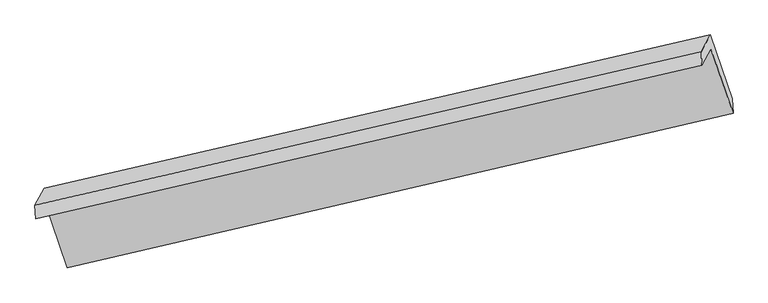
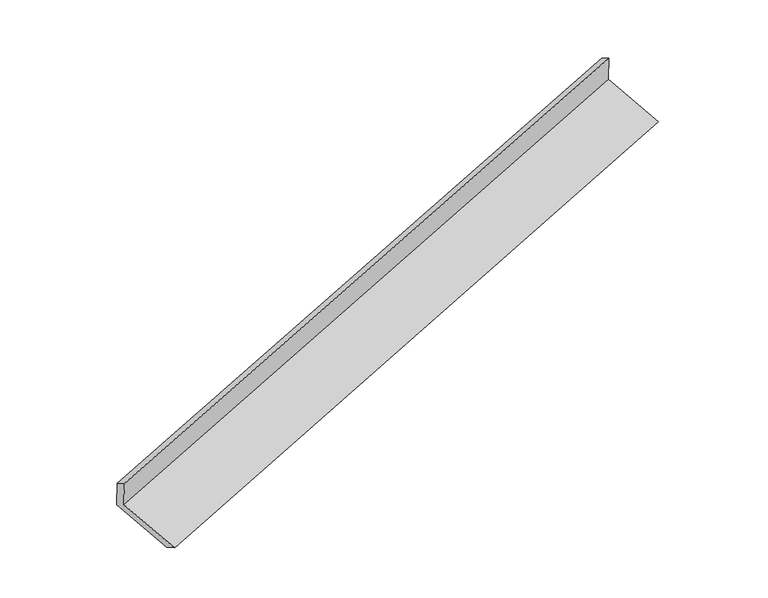
"""IFC4 building model written with IfcOpenShell, lengths in millimetres: proxy geometry."""

from ifc_helpers import new_model, si_unit, origin, place, context, project, spatial, faceted_brep, source, transform, mapped, element, save


def generic_models_b3a4d40c(model_context):
    return source(origin(), model_context, "Body", "Brep", [
        faceted_brep([(-5942.5103659, -2020.5056652, 950.7529725), (-5736.2836692, -2620.7274727, 746.2650938), (348.040561, -1211.3079555, 2667.5516547), (144.9066854, -620.0877889, 2868.9727897), (-6024.3895863, -2172.9204525, 1315.5520914), (63.0274651, -772.5025762, 3233.7719086), (-6030.3917775, -2049.8421724, 1244.8465253), (57.0252738, -649.4242961, 3163.0663424), (-5947.2682308, -1895.111123, 874.5035193), (140.1488205, -494.6932467, 2792.7233365), (-5744.4302843, -2485.4699893, 673.3758183), (339.8939459, -1076.050472, 2594.6623792)], [[[0, 1, 2, 3]], [[4, 0, 3, 5]], [[6, 4, 5, 7]], [[8, 6, 7, 9]], [[10, 8, 9, 11]], [[1, 10, 11, 2]], [[9, 7, 5, 3, 2, 11]], [[1, 0, 4, 6, 8, 10]]]),
    ])


if __name__ == "__main__":
    model = new_model("IFC4")
    model_context = context("Model", 3, world=origin())
    ifc_project = project(units=[si_unit("LENGTHUNIT", "METRE", prefix="MILLI")], contexts=[model_context])
    site = spatial("IfcSite", under=ifc_project)
    building = spatial("IfcBuilding", under=site)
    placement = place(None, origin())
    generic_models_shape = generic_models_b3a4d40c(model_context)
    element("IfcBuildingElementProxy", 1, Name="Generic Models", at=placement, inside=building, context=model_context, shape_type="MappedRepresentation", body=[
        mapped(generic_models_shape, transform((0.0, 0.0, 0.0), x_axis=(1.0, 0.0, 0.0), y_axis=(0.0, 1.0, 0.0), z_axis=(0.0, 0.0, 1.0))),
    ])
    save(model, "model.ifc")
